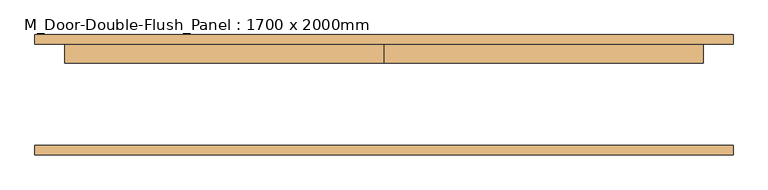
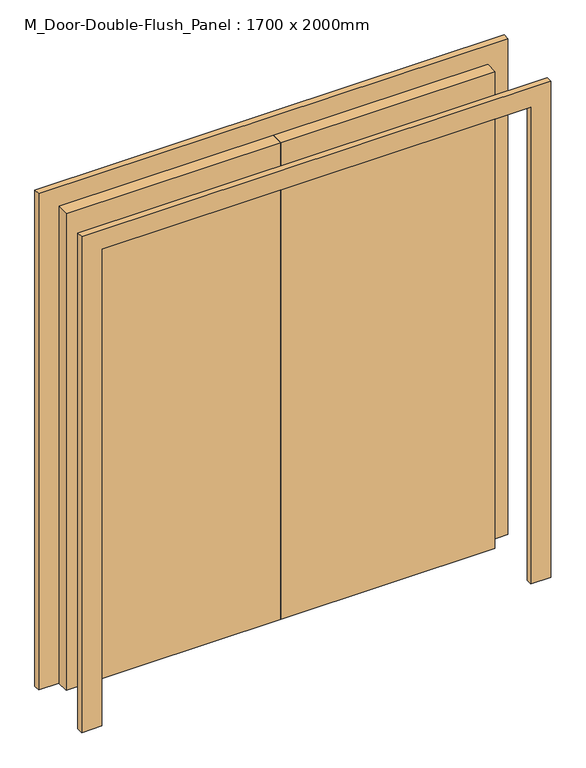
"""IFC4 building model written with IfcOpenShell, lengths in millimetres: door geometry, M_Door-Double-Flush_Panel : 1700 x 2000mm."""

from ifc_helpers import new_model, si_unit, frame, origin, origin_with_axes, place, context, project, spatial, polyline, outline, extrude, source, transform, mapped, element, save


def m_door_double_flush_panel_1700_x_2000mm_5c7d64d3(model_context):
    return source(origin(), model_context, "Body", "SweptSolid", [
        extrude(outline(polyline([(2000.0, -850.0), (2000.0, 850.0), (0.0, 850.0), (0.0, 930.0), (2080.0, 930.0), (2080.0, -930.0), (0.0, -930.0), (0.0, -850.0), (2000.0, -850.0)])), frame((0.0, -160.0, 0.0), z_axis=(0.0, 1.0, 0.0), x_axis=(0.0, 0.0, 1.0)), (0.0, 0.0, 1.0), 25.0),
        extrude(outline(polyline([(2000.0, -850.0), (2000.0, 850.0), (0.0, 850.0), (0.0, 930.0), (2080.0, 930.0), (2080.0, -930.0), (0.0, -930.0), (0.0, -850.0), (2000.0, -850.0)])), frame((0.0, 135.0, 0.0), z_axis=(0.0, 1.0, 0.0), x_axis=(0.0, 0.0, 1.0)), (0.0, 0.0, 1.0), 25.0),
        extrude(outline(polyline([(0.0, 135.0), (850.0, 135.0), (850.0, 85.0), (0.0, 85.0), (0.0, 135.0)])), origin_with_axes(), (0.0, 0.0, 1.0), 2000.0),
        extrude(outline(polyline([(-850.0, 135.0), (0.0, 135.0), (0.0, 85.0), (-850.0, 85.0), (-850.0, 135.0)])), origin_with_axes(), (0.0, 0.0, 1.0), 2000.0),
    ])


if __name__ == "__main__":
    model = new_model("IFC4")
    model_context = context("Model", 3, world=origin())
    ifc_project = project(units=[si_unit("LENGTHUNIT", "METRE", prefix="MILLI")], contexts=[model_context])
    site = spatial("IfcSite", under=ifc_project)
    building = spatial("IfcBuilding", under=site)
    placement = place(None, origin())
    m_door_double_flush_panel_1700_x_2000mm_shape = m_door_double_flush_panel_1700_x_2000mm_5c7d64d3(model_context)
    element("IfcDoor", 1, ObjectType="M_Door-Double-Flush_Panel : 1700 x 2000mm", at=placement, inside=building, context=model_context, shape_type="MappedRepresentation", body=[
        mapped(m_door_double_flush_panel_1700_x_2000mm_shape, transform((0.0, 0.0, 0.0), x_axis=(1.0, 0.0, 0.0), y_axis=(0.0, 1.0, 0.0), z_axis=(0.0, 0.0, 1.0))),
    ])
    save(model, "model.ifc")
